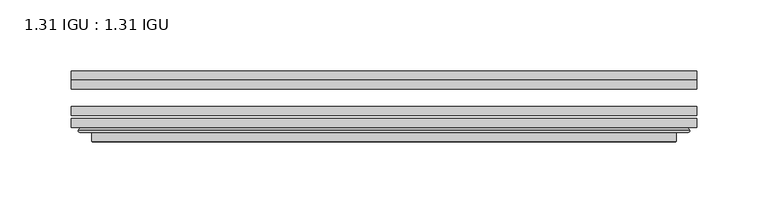
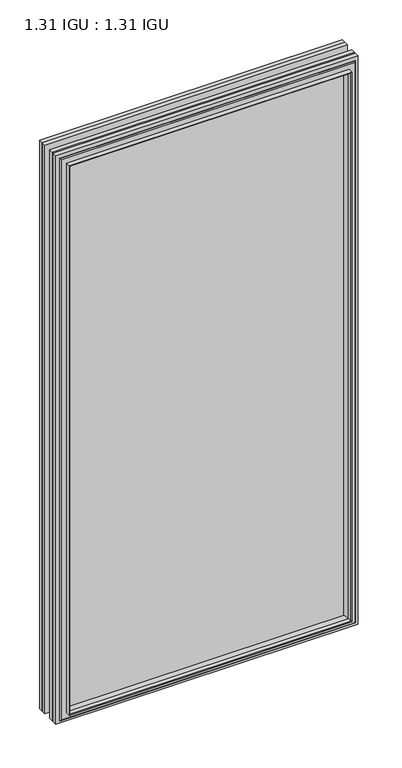
"""IFC4 building model written with IfcOpenShell, lengths in millimetres: plate geometry, 1.31 IGU : 1.31 IGU."""

from ifc_helpers import new_model, si_unit, frame, origin, place, context, project, spatial, polyline, ellipse_curve, outline, extrude, faceted_brep, source, transform, mapped, element, save
from ifc_brep_helpers import plane_surface, cylinder_surface, advanced_brep


def plate_1_31_igu_1_31_igu_46d7db3d(model_context):
    return source(origin(), model_context, "Body", "SolidModel", [
        extrude(outline(polyline([(219.089175, -66.4725937), (219.089175, -72.8225938), (-219.075, -72.8225938), (-219.075, -66.4725937), (219.089175, -66.4725937)])), frame((0.0, 0.0, -14.2875), z_axis=(0.0, 0.0, 1.0), x_axis=(1.0, 0.0, 0.0)), (0.0, 0.0, 1.0), 869.9537979),
        extrude(outline(polyline([(-219.075, -81.4585938), (-219.075, -75.1080887), (219.089175, -75.1080887), (219.089175, -81.4585938), (-219.075, -81.4585938)])), frame((0.0, 0.0, -14.2875), z_axis=(0.0, 0.0, 1.0), x_axis=(1.0, 0.0, 0.0)), (0.0, 0.0, 1.0), 869.9537979),
        extrude(outline(polyline([(219.089175, -48.1337937), (219.089175, -54.4837938), (-219.075, -54.4837938), (-219.075, -48.1337937), (219.089175, -48.1337937)])), frame((0.0, 0.0, -14.2875), z_axis=(0.0, 0.0, 1.0), x_axis=(1.0, 0.0, 0.0)), (0.0, 0.0, 1.0), 869.9537979),
        faceted_brep([(-204.7821902, -41.7837938, 841.3696902), (-203.8897559, -48.1337937, 840.4772559), (-203.8897559, -48.1337937, 0.8977441), (-204.7821902, -41.7837938, 0.0053098), (-219.0877, -48.1337937, 855.6752), (-219.0877, -41.7837938, 855.6752), (-219.0877, -41.7837938, -14.3002), (-219.0877, -48.1337937, -14.3002), (203.8897559, -48.1337937, 0.8977441), (204.7821902, -41.7837938, 0.0053098), (219.0877, -41.7837938, -14.3002), (219.0877, -48.1337937, -14.3002), (203.8897559, -48.1337937, 840.4772559), (204.7821902, -41.7837938, 841.3696902), (219.0877, -41.7837938, 855.6752), (219.0877, -48.1337937, 855.6752)], [[[0, 1, 2, 3]], [[4, 5, 6, 7]], [[3, 2, 8, 9]], [[7, 6, 10, 11]], [[9, 8, 12, 13]], [[11, 10, 14, 15]], [[7, 11, 15, 4], [1, 12, 8, 2]], [[13, 12, 1, 0]], [[5, 14, 10, 6], [3, 9, 13, 0]], [[15, 14, 5, 4]]]),
        advanced_brep(
        [(-213.1861349, -84.6335938, 849.7736349), (-214.1879244, -83.4482604, 850.7754244), (-214.1879244, -83.4482604, -9.4004244), (-213.1861349, -84.6335938, -8.3986349), (-204.7820784, -91.0948368, 841.3695784), (-204.7820784, -84.6335938, 841.3695784), (-204.7820784, -84.6335938, 0.0054216), (-204.7820784, -91.0948368, 0.0054216), (-203.7914217, -90.6958619, 840.3789217), (-203.7914217, -90.6958619, 0.9960783), (-202.7593939, -85.2986307, 839.3468939), (-202.7593939, -85.2986307, 2.0281061), (-197.8245621, -81.4585938, 834.4120621), (-197.8245621, -81.4585938, 6.9629379), (-211.833719, -81.4585938, 848.421219), (-211.833719, -81.4585938, -7.046219), (214.1879244, -83.4482604, -9.4004244), (213.1861349, -84.6335938, -8.3986349), (204.7820784, -84.6335938, 0.0054216), (204.7820784, -91.0948368, 0.0054216), (203.7914217, -90.6958619, 0.9960783), (202.7593939, -85.2986307, 2.0281061), (197.8245621, -81.4585938, 6.9629379), (211.833719, -81.4585938, -7.046219), (214.1879244, -83.4482604, 850.7754244), (213.1861349, -84.6335938, 849.7736349), (204.7820784, -84.6335938, 841.3695784), (204.7820784, -91.0948368, 841.3695784), (203.7914217, -90.6958619, 840.3789217), (202.7593939, -85.2986307, 839.3468939), (197.8245621, -81.4585938, 834.4120621), (211.833719, -81.4585938, 848.421219)],
        [
            (0, 1, ellipse_curve(frame((-213.1861349, -83.6175938, 849.7736349), z_axis=(-0.7071067811865475, 0.0, -0.7071067811865475), x_axis=(-0.7071067811865474, 0.0, 0.7071067811865476)), 1.436841, 1.016)),
            (1, 2),
            (2, 3, ellipse_curve(frame((-213.1861349, -83.6175938, -8.3986349), z_axis=(-0.7071067811865475, 0.0, 0.7071067811865475), x_axis=(0.7071067811865474, 0.0, 0.7071067811865476)), 1.436841, 1.016)),
            (3, 0),
            (4, 5),
            (5, 6),
            (6, 7),
            (7, 4),
            (8, 4, ellipse_curve(frame((-204.4151219, -90.5766015, 841.0026219), z_axis=(-0.7071067811865475, 0.0, -0.7071067811865475), x_axis=(-0.7071067811865474, 0.0, 0.7071067811865476)), 0.8980256, 0.635)),
            (7, 9, ellipse_curve(frame((-204.4151219, -90.5766015, 0.3723781), z_axis=(-0.7071067811865475, 0.0, 0.7071067811865475), x_axis=(0.7071067811865474, 0.0, 0.7071067811865476)), 0.8980256, 0.635)),
            (9, 8),
            (10, 8),
            (9, 11),
            (11, 10),
            (12, 10),
            (11, 13),
            (13, 12),
            (1, 14, ellipse_curve(frame((-211.833719, -83.8461938, 848.421219), z_axis=(-0.7071067811865475, 0.0, -0.7071067811865475), x_axis=(-0.7071067811865474, 0.0, 0.7071067811865476)), 3.3765763, 2.3876)),
            (14, 15),
            (15, 2, ellipse_curve(frame((-211.833719, -83.8461938, -7.046219), z_axis=(-0.7071067811865475, 0.0, 0.7071067811865475), x_axis=(0.7071067811865474, 0.0, 0.7071067811865476)), 3.3765763, 2.3876)),
            (2, 16),
            (16, 17, ellipse_curve(frame((213.1861349, -83.6175938, -8.3986349), z_axis=(-0.7071067811865475, 0.0, -0.7071067811865475), x_axis=(-0.7071067811865476, 0.0, 0.7071067811865474)), 1.436841, 1.016)),
            (17, 3),
            (6, 18),
            (18, 19),
            (19, 7),
            (19, 20, ellipse_curve(frame((204.4151219, -90.5766015, 0.3723781), z_axis=(-0.7071067811865475, 0.0, -0.7071067811865475), x_axis=(-0.7071067811865476, 0.0, 0.7071067811865474)), 0.8980256, 0.635)),
            (20, 9),
            (20, 21),
            (21, 11),
            (21, 22),
            (22, 13),
            (15, 23),
            (23, 16, ellipse_curve(frame((211.833719, -83.8461938, -7.046219), z_axis=(-0.7071067811865475, 0.0, -0.7071067811865475), x_axis=(-0.7071067811865476, 0.0, 0.7071067811865474)), 3.3765763, 2.3876)),
            (16, 24),
            (24, 25, ellipse_curve(frame((213.1861349, -83.6175938, 849.7736349), z_axis=(0.7071067811865475, 0.0, -0.7071067811865475), x_axis=(-0.7071067811865474, 0.0, -0.7071067811865476)), 1.436841, 1.016)),
            (25, 17),
            (18, 26),
            (26, 27),
            (27, 19),
            (27, 28, ellipse_curve(frame((204.4151219, -90.5766015, 841.0026219), z_axis=(0.7071067811865475, 0.0, -0.7071067811865475), x_axis=(-0.7071067811865474, 0.0, -0.7071067811865476)), 0.8980256, 0.635)),
            (28, 20),
            (28, 29),
            (29, 21),
            (29, 30),
            (30, 22),
            (23, 31),
            (31, 24, ellipse_curve(frame((211.833719, -83.8461938, 848.421219), z_axis=(0.7071067811865475, 0.0, -0.7071067811865475), x_axis=(-0.7071067811865474, 0.0, -0.7071067811865476)), 3.3765763, 2.3876)),
            (24, 1),
            (0, 25),
            (5, 26),
            (4, 27),
            (8, 28),
            (10, 29),
            (12, 30),
            (14, 31),
        ],
        [
            cylinder_surface(frame((-213.1861349, -83.6175938, 873.125), z_axis=(0.0, 0.0, 1.0), x_axis=(-1.0, 0.0, 0.0)), 1.016),
            plane_surface(frame((-204.7820784, -84.6335938, 841.3695784), z_axis=(-1.0, 0.0, 0.0), x_axis=(0.0, 0.0, -1.0))),
            cylinder_surface(frame((-204.4151219, -90.5766015, 873.125), z_axis=(0.0, 0.0, 1.0), x_axis=(-1.0, 0.0, 0.0)), 0.635),
            plane_surface(frame((-203.7914217, -90.6958619, 840.3789217), z_axis=(0.9822050625507717, -0.1878116479338675, 0.0), x_axis=(0.0, 0.0, -1.0))),
            plane_surface(frame((-202.7593939, -85.2986307, 839.3468939), z_axis=(0.6141233906514726, -0.7892100234124875, 0.0), x_axis=(0.0, 0.0, -1.0))),
            cylinder_surface(frame((-211.833719, -83.8461938, 873.125), z_axis=(0.0, 0.0, 1.0), x_axis=(-1.0, 0.0, 0.0)), 2.3876),
            cylinder_surface(frame((-236.5375, -83.6175938, -8.3986349), z_axis=(-1.0, 0.0, 0.0), x_axis=(0.0, 0.0, -1.0)), 1.016),
            plane_surface(frame((-204.7820784, -84.6335938, 0.0054216), z_axis=(0.0, 0.0, -1.0), x_axis=(1.0, 0.0, 0.0))),
            cylinder_surface(frame((-236.5375, -90.5766015, 0.3723781), z_axis=(-1.0, 0.0, 0.0), x_axis=(0.0, 0.0, -1.0)), 0.635),
            plane_surface(frame((-203.7914217, -90.6958619, 0.9960783), z_axis=(0.0, -0.18781164793386435, 0.9822050625507722), x_axis=(1.0, 0.0, 0.0))),
            plane_surface(frame((-202.7593939, -85.2986307, 2.0281061), z_axis=(0.0, -0.7892100234124855, 0.6141233906514751), x_axis=(1.0, 0.0, 0.0))),
            cylinder_surface(frame((-236.5375, -83.8461938, -7.046219), z_axis=(-1.0, 0.0, 0.0), x_axis=(0.0, 0.0, -1.0)), 2.3876),
            cylinder_surface(frame((213.1861349, -83.6175938, -31.75), z_axis=(0.0, 0.0, -1.0), x_axis=(1.0, 0.0, 0.0)), 1.016),
            plane_surface(frame((204.7820784, -84.6335938, 0.0054216), z_axis=(1.0, 0.0, 0.0), x_axis=(0.0, 0.0, 1.0))),
            cylinder_surface(frame((204.4151219, -90.5766015, -31.75), z_axis=(0.0, 0.0, -1.0), x_axis=(1.0, 0.0, 0.0)), 0.635),
            plane_surface(frame((203.7914217, -90.6958619, 0.9960783), z_axis=(-0.9822050625507728, -0.18781164793386118, 0.0), x_axis=(0.0, 0.0, 1.0))),
            plane_surface(frame((202.7593939, -85.2986307, 2.0281061), z_axis=(-0.6141233906514777, -0.7892100234124835, 0.0), x_axis=(0.0, 0.0, 1.0))),
            cylinder_surface(frame((211.833719, -83.8461938, -31.75), z_axis=(0.0, 0.0, -1.0), x_axis=(1.0, 0.0, 0.0)), 2.3876),
            cylinder_surface(frame((236.5375, -83.6175938, 849.7736349), z_axis=(1.0, 0.0, 0.0), x_axis=(0.0, 0.0, 1.0)), 1.016),
            plane_surface(frame((213.1861349, -84.6335938, 849.7736349), z_axis=(0.0, -1.0, 0.0), x_axis=(-1.0, 0.0, 0.0))),
            plane_surface(frame((204.7820784, -84.6335938, 841.3695784), z_axis=(0.0, 0.0, 1.0), x_axis=(-1.0, 0.0, 0.0))),
            cylinder_surface(frame((236.5375, -90.5766015, 841.0026219), z_axis=(1.0, 0.0, 0.0), x_axis=(0.0, 0.0, 1.0)), 0.635),
            plane_surface(frame((203.7914217, -90.6958619, 840.3789217), z_axis=(0.0, -0.18781164793386435, -0.9822050625507722), x_axis=(-1.0, 0.0, 0.0))),
            plane_surface(frame((202.7593939, -85.2986307, 839.3468939), z_axis=(0.0, -0.7892100234124855, -0.6141233906514751), x_axis=(-1.0, 0.0, 0.0))),
            plane_surface(frame((197.8245621, -81.4585938, 834.4120621), z_axis=(0.0, 1.0, 0.0), x_axis=(-1.0, 0.0, 0.0))),
            cylinder_surface(frame((236.5375, -83.8461938, 848.421219), z_axis=(1.0, 0.0, 0.0), x_axis=(0.0, 0.0, 1.0)), 2.3876),
        ],
        [
            (0, [[1, 2, 3, 4]]),
            (1, [[5, 6, 7, 8]]),
            (2, [[9, -8, 10, 11]]),
            (3, [[12, -11, 13, 14]]),
            (4, [[15, -14, 16, 17]]),
            (5, [[18, 19, 20, -2]]),
            (6, [[-3, 21, 22, 23]]),
            (7, [[-7, 24, 25, 26]]),
            (8, [[-10, -26, 27, 28]]),
            (9, [[-13, -28, 29, 30]]),
            (10, [[-16, -30, 31, 32]]),
            (11, [[-20, 33, 34, -21]]),
            (12, [[-22, 35, 36, 37]]),
            (13, [[-25, 38, 39, 40]]),
            (14, [[-27, -40, 41, 42]]),
            (15, [[-29, -42, 43, 44]]),
            (16, [[-31, -44, 45, 46]]),
            (17, [[-34, 47, 48, -35]]),
            (18, [[-36, 49, -1, 50]]),
            (19, [[-23, -37, -50, -4], [51, -38, -24, -6]]),
            (20, [[-39, -51, -5, 52]]),
            (21, [[-41, -52, -9, 53]]),
            (22, [[-43, -53, -12, 54]]),
            (23, [[-45, -54, -15, 55]]),
            (24, [[56, -47, -33, -19], [-32, -46, -55, -17]]),
            (25, [[-48, -56, -18, -49]]),
        ],
    ),
    ])


if __name__ == "__main__":
    model = new_model("IFC4")
    model_context = context("Model", 3, world=origin())
    ifc_project = project(units=[si_unit("LENGTHUNIT", "METRE", prefix="MILLI")], contexts=[model_context])
    site = spatial("IfcSite", under=ifc_project)
    building = spatial("IfcBuilding", under=site)
    placement = place(None, origin())
    plate_1_31_igu_1_31_igu_shape = plate_1_31_igu_1_31_igu_46d7db3d(model_context)
    element("IfcPlate", 1, ObjectType="1.31 IGU : 1.31 IGU", at=placement, inside=building, context=model_context, shape_type="MappedRepresentation", body=[
        mapped(plate_1_31_igu_1_31_igu_shape, transform((0.0, 0.0, 0.0), x_axis=(1.0, 0.0, 0.0), y_axis=(0.0, 1.0, 0.0), z_axis=(0.0, 0.0, 1.0))),
    ])
    save(model, "model.ifc")
